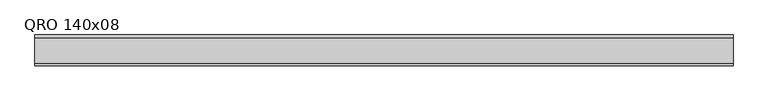
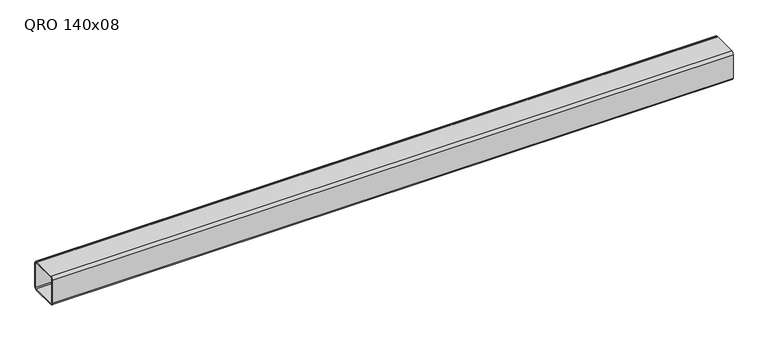
"""IFC4 building model written with IfcOpenShell, lengths in millimetres: beam geometry, QRO 140x08."""

from ifc_helpers import new_model, si_unit, point, frame, frame_2d, origin, place, context, project, spatial, polyline, circle_curve, trimmed, segment, composite_curve, outline, extrude, source, transform, mapped, element, save


def qro_140x08_0340aa27(model_context):
    return source(origin(), model_context, "Body", "SweptSolid", [
        extrude(outline(composite_curve([segment(polyline([(70.0, 58.0), (70.0, -58.0)]), True, "CONTINUOUS"), segment(trimmed(circle_curve(frame_2d((58.0, -58.0)), 12.0), [point((70.0, -58.0))], [point((58.0, -70.0))], False, "CARTESIAN"), True, "CONTINUOUS"), segment(polyline([(58.0, -70.0), (-58.0, -70.0)]), True, "CONTINUOUS"), segment(trimmed(circle_curve(frame_2d((-58.0, -58.0)), 12.0), [point((-58.0, -70.0))], [point((-70.0, -58.0))], False, "CARTESIAN"), True, "CONTINUOUS"), segment(polyline([(-70.0, -58.0), (-70.0, 58.0)]), True, "CONTINUOUS"), segment(trimmed(circle_curve(frame_2d((-58.0, 58.0)), 12.0), [point((-70.0, 58.0))], [point((-58.0, 70.0))], False, "CARTESIAN"), True, "CONTINUOUS"), segment(polyline([(-58.0, 70.0), (58.0, 70.0)]), True, "CONTINUOUS"), segment(trimmed(circle_curve(frame_2d((58.0, 58.0)), 12.0), [point((58.0, 70.0))], [point((70.0, 58.0))], False, "CARTESIAN"), True, "CONTINUOUS")], self_intersect=False), holes=[composite_curve([segment(trimmed(circle_curve(frame_2d((-58.0, 58.0)), 6.0), [point((-58.0, 64.0))], [point((-64.0, 58.0))], True, "CARTESIAN"), True, "CONTINUOUS"), segment(polyline([(-64.0, 58.0), (-64.0, -58.0)]), True, "CONTINUOUS"), segment(trimmed(circle_curve(frame_2d((-58.0, -58.0)), 6.0), [point((-64.0, -58.0))], [point((-58.0, -64.0))], True, "CARTESIAN"), True, "CONTINUOUS"), segment(polyline([(-58.0, -64.0), (58.0, -64.0)]), True, "CONTINUOUS"), segment(trimmed(circle_curve(frame_2d((58.0, -58.0)), 6.0), [point((58.0, -64.0))], [point((64.0, -58.0))], True, "CARTESIAN"), True, "CONTINUOUS"), segment(polyline([(64.0, -58.0), (64.0, 58.0)]), True, "CONTINUOUS"), segment(trimmed(circle_curve(frame_2d((58.0, 58.0)), 6.0), [point((64.0, 58.0))], [point((58.0, 64.0))], True, "CARTESIAN"), True, "CONTINUOUS"), segment(polyline([(58.0, 64.0), (-58.0, 64.0)]), True, "CONTINUOUS")], self_intersect=False)]), frame((-1780.2661612, 0.0, 0.0), z_axis=(1.0, 0.0, 0.0), x_axis=(0.0, 1.0, 0.0)), (0.0, 0.0, 1.0), 3180.6727852),
    ])


if __name__ == "__main__":
    model = new_model("IFC4")
    model_context = context("Model", 3, world=origin())
    ifc_project = project(units=[si_unit("LENGTHUNIT", "METRE", prefix="MILLI")], contexts=[model_context])
    site = spatial("IfcSite", under=ifc_project)
    building = spatial("IfcBuilding", under=site)
    placement = place(None, origin())
    qro_140x08_shape = qro_140x08_0340aa27(model_context)
    element("IfcBeam", 1, ObjectType="QRO 140x08", at=placement, inside=building, context=model_context, shape_type="MappedRepresentation", body=[
        mapped(qro_140x08_shape, transform((0.0, 0.0, 0.0), x_axis=(1.0, 0.0, 0.0), y_axis=(0.0, 1.0, 0.0), z_axis=(0.0, 0.0, 1.0))),
    ])
    save(model, "model.ifc")
